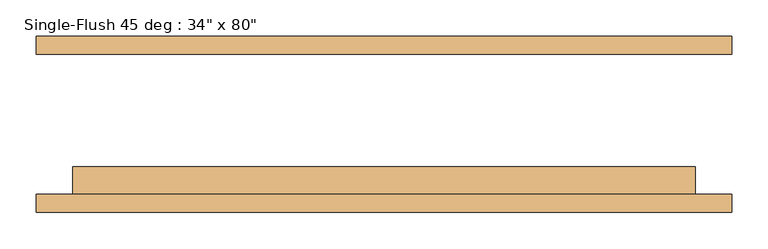
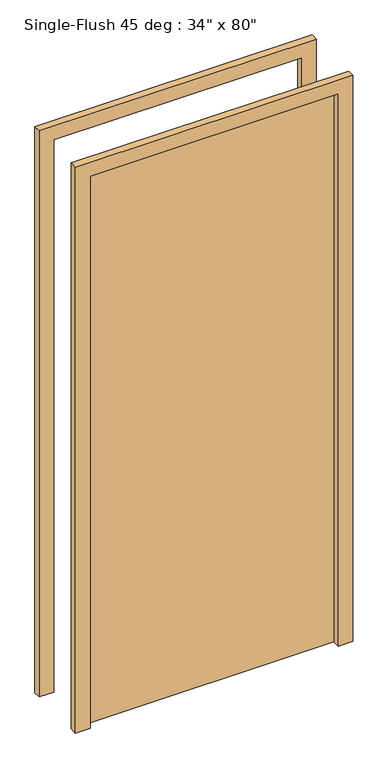
"""IFC4 building model written with IfcOpenShell, lengths in millimetres: door geometry."""

from ifc_helpers import new_model, si_unit, frame, origin, origin_with_axes, place, context, project, spatial, polyline, outline, extrude, source, transform, mapped, element, save


def door_a4203e39(model_context):
    return source(origin(), model_context, "Body", "SweptSolid", [
        extrude(outline(polyline([(431.8, -58.7375), (431.8, -96.8375), (-431.8, -96.8375), (-431.8, -58.7375), (431.8, -58.7375)])), origin_with_axes(), (0.0, 0.0, 1.0), 2032.0),
        extrude(outline(polyline([(2082.8, -482.6), (0.0, -482.6), (0.0, -431.8), (2032.0, -431.8), (2032.0, 431.8), (0.0, 431.8), (0.0, 482.6), (2082.8, 482.6), (2082.8, -482.6)])), frame((0.0, -122.2375, 0.0), z_axis=(0.0, 1.0, 0.0), x_axis=(0.0, 0.0, 1.0)), (0.0, 0.0, 1.0), 25.4),
        extrude(outline(polyline([(2082.8, 482.6), (2082.8, -482.6), (0.0, -482.6), (0.0, -431.8), (2032.0, -431.8), (2032.0, 431.8), (0.0, 431.8), (0.0, 482.6), (2082.8, 482.6)])), frame((0.0, 96.8375, 0.0), z_axis=(0.0, 1.0, 0.0), x_axis=(0.0, 0.0, 1.0)), (0.0, 0.0, 1.0), 25.4),
    ])


if __name__ == "__main__":
    model = new_model("IFC4")
    model_context = context("Model", 3, world=origin())
    ifc_project = project(units=[si_unit("LENGTHUNIT", "METRE", prefix="MILLI")], contexts=[model_context])
    site = spatial("IfcSite", under=ifc_project)
    building = spatial("IfcBuilding", under=site)
    placement = place(None, origin())
    door_shape = door_a4203e39(model_context)
    element("IfcDoor", 1, ObjectType="Single-Flush 45 deg : 34\" x 80\"", at=placement, inside=building, context=model_context, shape_type="MappedRepresentation", body=[
        mapped(door_shape, transform((0.0, 0.0, 0.0), x_axis=(1.0, 0.0, 0.0), y_axis=(0.0, 1.0, 0.0), z_axis=(0.0, 0.0, 1.0))),
    ])
    save(model, "model.ifc")
